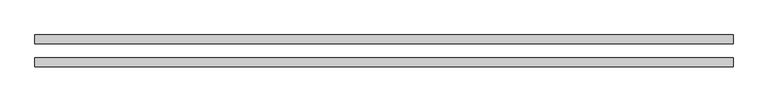
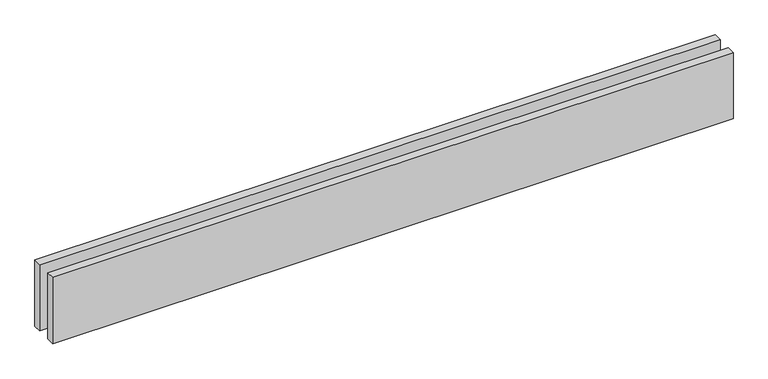
"""IFC4 building model written with IfcOpenShell, lengths in millimetres: proxy geometry."""

from ifc_helpers import new_model, si_unit, origin, origin_with_axes, place, context, project, spatial, polyline, outline, extrude, source, transform, mapped, element, save


def generic_models_2d8372c2(model_context):
    return source(origin(), model_context, "Body", "SweptSolid", [
        extrude(outline(polyline([(2424.2640687, -25.0), (2424.2640687, -55.0), (0.0, -55.0), (0.0, -25.0), (2424.2640687, -25.0)])), origin_with_axes(), (0.0, 0.0, 1.0), 250.0),
        extrude(outline(polyline([(2424.2640687, 55.0), (2424.2640687, 25.0), (0.0, 25.0), (0.0, 55.0), (2424.2640687, 55.0)])), origin_with_axes(), (0.0, 0.0, 1.0), 250.0),
    ])


if __name__ == "__main__":
    model = new_model("IFC4")
    model_context = context("Model", 3, world=origin())
    ifc_project = project(units=[si_unit("LENGTHUNIT", "METRE", prefix="MILLI")], contexts=[model_context])
    site = spatial("IfcSite", under=ifc_project)
    building = spatial("IfcBuilding", under=site)
    placement = place(None, origin())
    generic_models_shape = generic_models_2d8372c2(model_context)
    element("IfcBuildingElementProxy", 1, Name="Generic Models", at=placement, inside=building, context=model_context, shape_type="MappedRepresentation", body=[
        mapped(generic_models_shape, transform((0.0, 0.0, 0.0), x_axis=(1.0, 0.0, 0.0), y_axis=(0.0, 1.0, 0.0), z_axis=(0.0, 0.0, 1.0))),
    ])
    save(model, "model.ifc")
